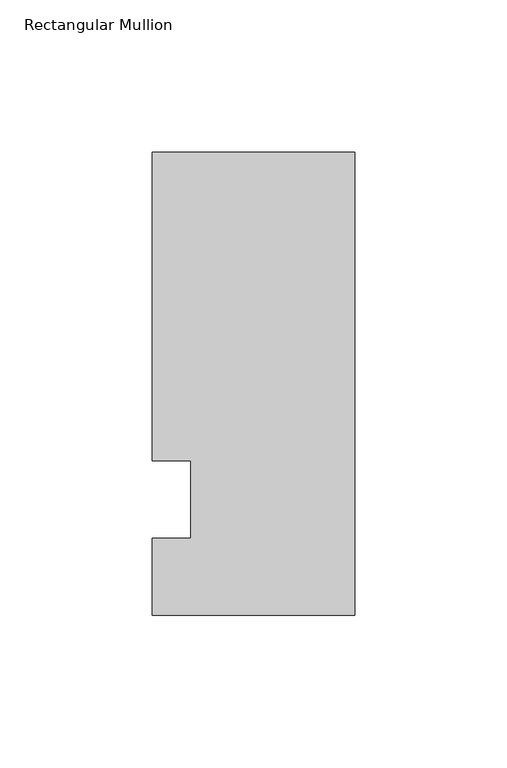
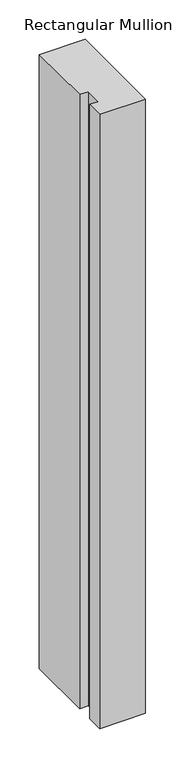
"""IFC4 building model written with IfcOpenShell, lengths in millimetres: member geometry, Rectangular Mullion."""

from ifc_helpers import new_model, si_unit, frame, origin, place, context, project, spatial, polyline, outline, extrude, source, transform, mapped, element, save


def rectangular_mullion_e5776daa(model_context):
    return source(origin(), model_context, "Body", "SweptSolid", [
        extrude(outline(polyline([(-66.675, 114.3), (0.0, 114.3), (0.0, -38.1), (-66.675, -38.1), (-66.675, -12.7), (-53.9732296, -12.7), (-53.9732296, 12.7), (-66.675, 12.7), (-66.675, 114.3)])), frame((0.0, 0.0, -949.325), z_axis=(0.0, 0.0, 1.0), x_axis=(1.0, 0.0, 0.0)), (0.0, 0.0, 1.0), 949.325),
    ])


if __name__ == "__main__":
    model = new_model("IFC4")
    model_context = context("Model", 3, world=origin())
    ifc_project = project(units=[si_unit("LENGTHUNIT", "METRE", prefix="MILLI")], contexts=[model_context])
    site = spatial("IfcSite", under=ifc_project)
    building = spatial("IfcBuilding", under=site)
    placement = place(None, origin())
    rectangular_mullion_shape = rectangular_mullion_e5776daa(model_context)
    element("IfcMember", 1, ObjectType="Rectangular Mullion", at=placement, inside=building, context=model_context, shape_type="MappedRepresentation", body=[
        mapped(rectangular_mullion_shape, transform((0.0, 0.0, 0.0), x_axis=(1.0, 0.0, 0.0), y_axis=(0.0, 1.0, 0.0), z_axis=(0.0, 0.0, 1.0))),
    ])
    save(model, "model.ifc")
